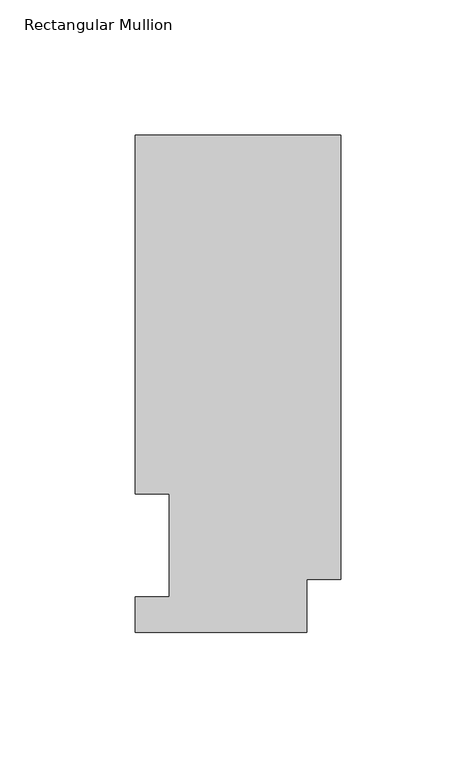
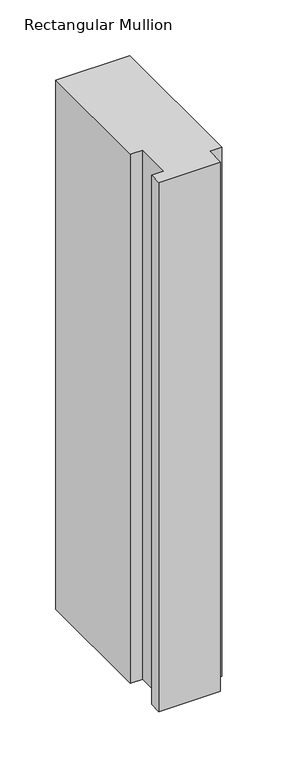
"""IFC4 building model written with IfcOpenShell, lengths in millimetres: member geometry, Rectangular Mullion."""

from ifc_helpers import new_model, si_unit, frame, origin, place, context, project, spatial, polyline, outline, extrude, source, transform, mapped, element, save


def rectangular_mullion_237bbd11(model_context):
    return source(origin(), model_context, "Body", "SweptSolid", [
        extrude(outline(polyline([(0.0, 222.5381313), (0.0, 57.8445312), (-12.7, 57.8445312), (-12.7, 38.3119313), (-76.2, 38.3119313), (-76.2, 51.4945313), (-63.5127, 51.4945313), (-63.5127, 89.5945313), (-76.2, 89.5945313), (-76.2, 222.5381313), (0.0, 222.5381313)])), frame((0.0, 0.0, -577.8404902), z_axis=(0.0, 0.0, 1.0), x_axis=(1.0, 0.0, 0.0)), (0.0, 0.0, 1.0), 577.8404902),
    ])


if __name__ == "__main__":
    model = new_model("IFC4")
    model_context = context("Model", 3, world=origin())
    ifc_project = project(units=[si_unit("LENGTHUNIT", "METRE", prefix="MILLI")], contexts=[model_context])
    site = spatial("IfcSite", under=ifc_project)
    building = spatial("IfcBuilding", under=site)
    placement = place(None, origin())
    rectangular_mullion_shape = rectangular_mullion_237bbd11(model_context)
    element("IfcMember", 1, ObjectType="Rectangular Mullion", at=placement, inside=building, context=model_context, shape_type="MappedRepresentation", body=[
        mapped(rectangular_mullion_shape, transform((0.0, 0.0, 0.0), x_axis=(1.0, 0.0, 0.0), y_axis=(0.0, 1.0, 0.0), z_axis=(0.0, 0.0, 1.0))),
    ])
    save(model, "model.ifc")
